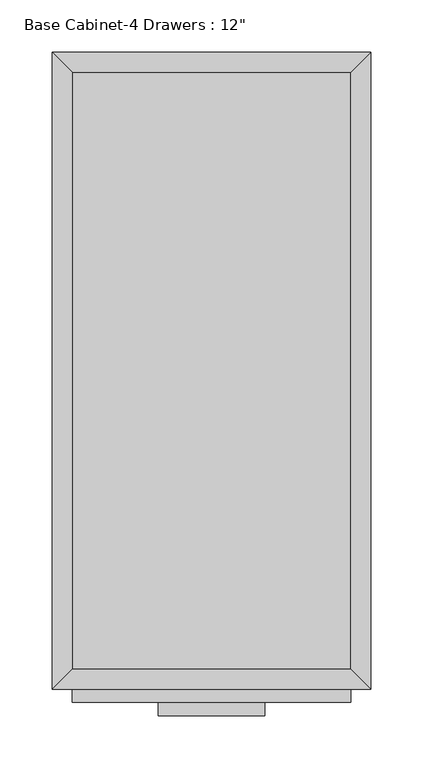
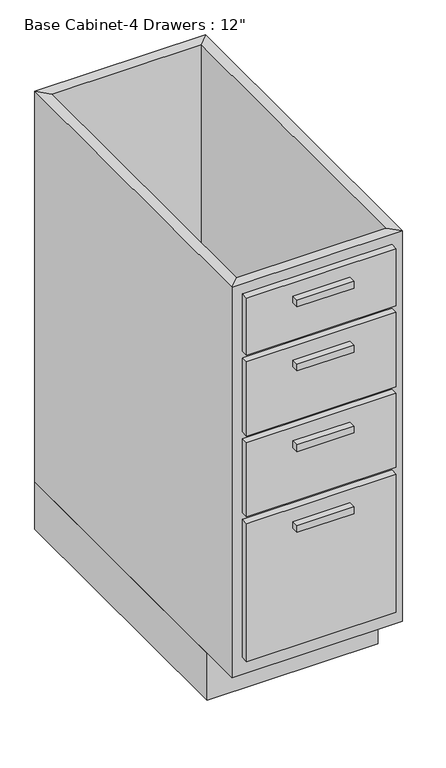
"""IFC4 building model written with IfcOpenShell, lengths in millimetres: furniture geometry."""

from ifc_helpers import new_model, si_unit, frame, origin, origin_with_axes, place, context, project, spatial, polyline, outline, extrude, faceted_brep, source, transform, mapped, element, save


def furniture_3847d1fb(model_context):
    return source(origin(), model_context, "Body", "SolidModel", [
        extrude(outline(polyline([(69.5377049, -635.0), (-32.0622951, -635.0), (-32.0622951, -622.3), (69.5377049, -622.3), (69.5377049, -635.0)])), frame((0.0, 0.0, 768.35), z_axis=(0.0, 0.0, 1.0), x_axis=(1.0, 0.0, 0.0)), (0.0, 0.0, 1.0), 12.7),
        extrude(outline(polyline([(69.5377049, -635.0), (-32.0622951, -635.0), (-32.0622951, -622.3), (69.5377049, -622.3), (69.5377049, -635.0)])), frame((0.0, 0.0, 647.7), z_axis=(0.0, 0.0, 1.0), x_axis=(1.0, 0.0, 0.0)), (0.0, 0.0, 1.0), 12.7),
        extrude(outline(polyline([(69.5377049, -635.0), (-32.0622951, -635.0), (-32.0622951, -622.3), (69.5377049, -622.3), (69.5377049, -635.0)])), frame((0.0, 0.0, 495.3), z_axis=(0.0, 0.0, 1.0), x_axis=(1.0, 0.0, 0.0)), (0.0, 0.0, 1.0), 12.7),
        extrude(outline(polyline([(69.5377049, -635.0), (-32.0622951, -635.0), (-32.0622951, -622.3), (69.5377049, -622.3), (69.5377049, -635.0)])), frame((0.0, 0.0, 342.9), z_axis=(0.0, 0.0, 1.0), x_axis=(1.0, 0.0, 0.0)), (0.0, 0.0, 1.0), 12.7),
        extrude(outline(polyline([(152.0877049, -622.3), (-114.6122951, -622.3), (-114.6122951, -609.6), (152.0877049, -609.6), (152.0877049, -622.3)])), frame((0.0, 0.0, 698.5), z_axis=(0.0, 0.0, 1.0), x_axis=(1.0, 0.0, 0.0)), (0.0, 0.0, 1.0), 107.95),
        extrude(outline(polyline([(152.0877049, -622.3), (-114.6122951, -622.3), (-114.6122951, -609.6), (152.0877049, -609.6), (152.0877049, -622.3)])), frame((0.0, 0.0, 546.1), z_axis=(0.0, 0.0, 1.0), x_axis=(1.0, 0.0, 0.0)), (0.0, 0.0, 1.0), 139.7),
        extrude(outline(polyline([(152.0877049, -622.3), (-114.6122951, -622.3), (-114.6122951, -609.6), (152.0877049, -609.6), (152.0877049, -622.3)])), frame((0.0, 0.0, 393.7), z_axis=(0.0, 0.0, 1.0), x_axis=(1.0, 0.0, 0.0)), (0.0, 0.0, 1.0), 139.7),
        extrude(outline(polyline([(152.0877049, -622.3), (-114.6122951, -622.3), (-114.6122951, -609.6), (152.0877049, -609.6), (152.0877049, -622.3)])), frame((0.0, 0.0, 120.65), z_axis=(0.0, 0.0, 1.0), x_axis=(1.0, 0.0, 0.0)), (0.0, 0.0, 1.0), 260.35),
        extrude(outline(polyline([(152.0877049, -19.05), (152.0877049, -590.55), (-114.6122951, -590.55), (-114.6122951, -19.05), (152.0877049, -19.05)])), frame((0.0, 0.0, 88.9), z_axis=(0.0, 0.0, 1.0), x_axis=(1.0, 0.0, 0.0)), (0.0, 0.0, 1.0), 19.05),
        faceted_brep([(152.0877049, -590.55, 825.5), (152.0877049, -590.55, 88.9), (-114.6122951, -590.55, 88.9), (-114.6122951, -590.55, 825.5), (171.1377049, -609.6, 825.5), (-133.6622951, -609.6, 825.5), (171.1377049, -609.6, 88.9), (-133.6622951, -609.6, 88.9), (-114.6122951, -19.05, 88.9), (-114.6122951, -19.05, 825.5), (-133.6622951, 0.0, 825.5), (-133.6622951, 0.0, 88.9), (152.0877049, -19.05, 88.9), (152.0877049, -19.05, 825.5), (171.1377049, 0.0, 825.5), (171.1377049, 0.0, 88.9)], [[[0, 1, 2, 3]], [[4, 0, 3, 5]], [[6, 4, 5, 7]], [[1, 6, 7, 2]], [[3, 2, 8, 9]], [[5, 3, 9, 10]], [[7, 5, 10, 11]], [[2, 7, 11, 8]], [[9, 8, 12, 13]], [[10, 9, 13, 14]], [[11, 10, 14, 15]], [[8, 11, 15, 12]], [[13, 12, 1, 0]], [[14, 13, 0, 4]], [[15, 14, 4, 6]], [[12, 15, 6, 1]]]),
        extrude(outline(polyline([(171.1377049, 0.0), (171.1377049, -533.4), (-133.6622951, -533.4), (-133.6622951, 0.0), (171.1377049, 0.0)])), origin_with_axes(), (0.0, 0.0, 1.0), 88.9),
    ])


if __name__ == "__main__":
    model = new_model("IFC4")
    model_context = context("Model", 3, world=origin())
    ifc_project = project(units=[si_unit("LENGTHUNIT", "METRE", prefix="MILLI")], contexts=[model_context])
    site = spatial("IfcSite", under=ifc_project)
    building = spatial("IfcBuilding", under=site)
    placement = place(None, origin())
    furniture_shape = furniture_3847d1fb(model_context)
    element("IfcFurniture", 1, ObjectType="Base Cabinet-4 Drawers : 12\"", at=placement, inside=building, context=model_context, shape_type="MappedRepresentation", body=[
        mapped(furniture_shape, transform((0.0, 0.0, 0.0), x_axis=(1.0, 0.0, 0.0), y_axis=(0.0, 1.0, 0.0), z_axis=(0.0, 0.0, 1.0))),
    ])
    save(model, "model.ifc")
